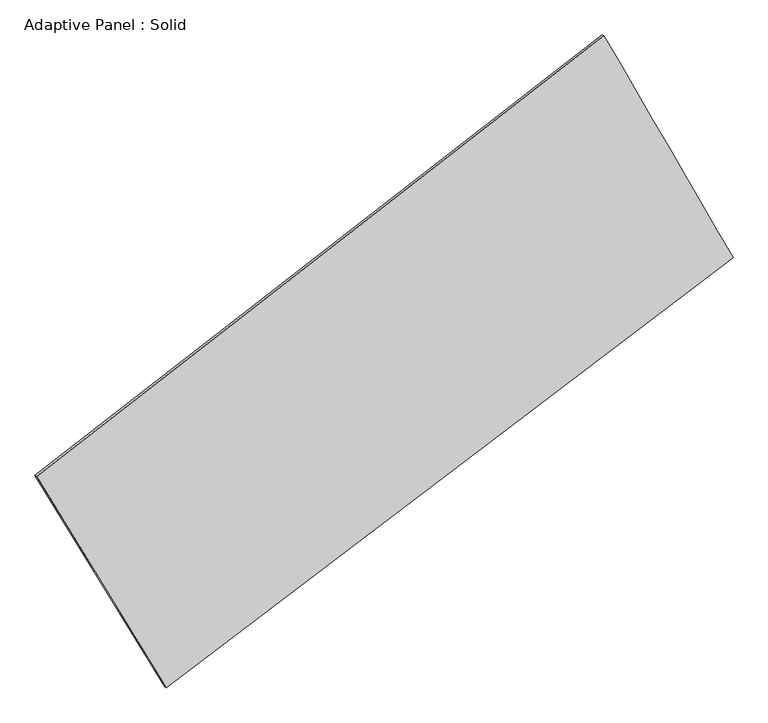
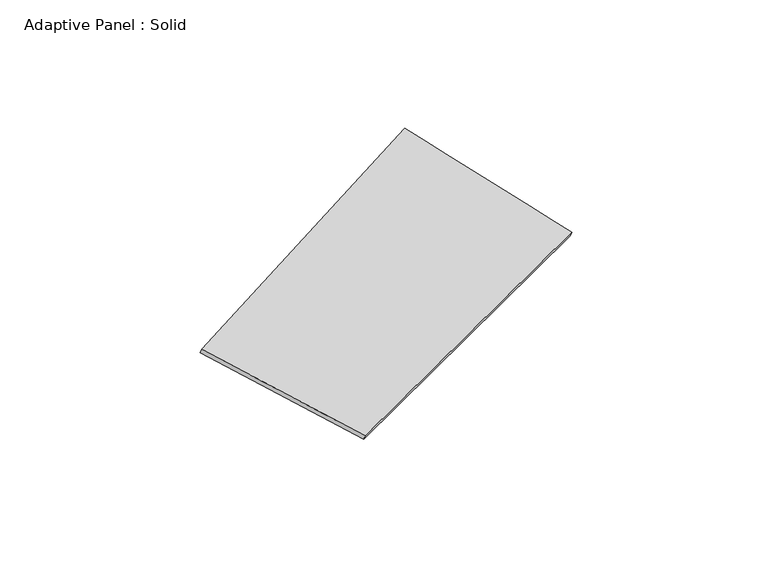
"""IFC4 building model written with IfcOpenShell, lengths in millimetres: plate geometry, Adaptive Panel : Solid."""

from ifc_helpers import new_model, si_unit, frame, origin, place, context, project, spatial, source, transform, mapped, element, save
from ifc_brep_helpers import plane_surface, spline_surface, advanced_brep


def adaptive_panel_solid_436c36e1(model_context):
    return source(origin(), model_context, "Body", "AdvancedBrep", [
        advanced_brep(
        [(1143.3646862, 2595.6194757, 719.4471544), (-3505.2473063, -1018.0322892, 1588.5137163), (-3490.5809505, -1024.4123827, 1635.8866243), (1158.031042, 2589.2393823, 766.8200624), (-2443.0293295, -2752.0212725, 1111.9579748), (-2428.3629737, -2758.4013659, 1159.3308828), (2201.6213715, 774.1855131, 65.2036748), (2216.2877273, 767.8054197, 112.5765829)],
        [
            (0, 1),
            (1, 2),
            (2, 3),
            (3, 0),
            (1, 4),
            (4, 5),
            (5, 2),
            (4, 6),
            (6, 7),
            (7, 5),
            (6, 0),
            (3, 7),
        ],
        [
            plane_surface(frame((-1180.9413101, 788.7935932, 1153.9804353), z_axis=(-0.5566733480863758, 0.782911881764466, 0.27778367288652484), x_axis=(-0.7810493726985288, -0.6071576738922492, 0.14601861676165778))),
            plane_surface(frame((-2974.1383179, -1885.0267809, 1350.2358455), z_axis=(-0.8163399930640824, -0.5492096982904741, 0.17876723141510262), x_axis=(0.5085859226904792, -0.8302273226866033, -0.22817307445382104))),
            plane_surface(frame((-120.703979, -988.9178797, 588.5808248), z_axis=(0.5413992827786824, -0.7946460195874281, -0.27463524930457356), x_axis=(0.7839409671361565, 0.5951659523520757, -0.1766749818352179))),
            plane_surface(frame((1672.4930288, 1684.9024944, 392.3254146), z_axis=(0.8207079810989866, 0.5418846809642534, -0.18110605262302903), x_axis=(-0.47976045945242124, 0.8257467275031836, 0.29660115233050793))),
            spline_surface(1, 1, [[(-3490.5809505, -1024.4123827, 1635.8866243), (1158.031042, 2589.2393823, 766.8200624)], [(-2428.3629737, -2758.4013659, 1159.3308828), (2216.2877273, 767.8054197, 112.5765829)]], [2, 2], [2, 2], [0.0, 1.0], [0.0, 1.0]),
            spline_surface(1, 1, [[(2201.6213715, 774.1855131, 65.2036748), (1143.3646862, 2595.6194757, 719.4471544)], [(-2443.0293295, -2752.0212725, 1111.9579748), (-3505.2473063, -1018.0322892, 1588.5137163)]], [2, 2], [2, 2], [0.0, 1.0], [0.0, 1.0]),
        ],
        [
            (0, [[1, 2, 3, 4]]),
            (1, [[5, 6, 7, -2]]),
            (2, [[8, 9, 10, -6]]),
            (3, [[11, -4, 12, -9]]),
            (4, [[-3, -7, -10, -12]]),
            (5, [[-11, -8, -5, -1]]),
        ],
    ),
    ])


if __name__ == "__main__":
    model = new_model("IFC4")
    model_context = context("Model", 3, world=origin())
    ifc_project = project(units=[si_unit("LENGTHUNIT", "METRE", prefix="MILLI")], contexts=[model_context])
    site = spatial("IfcSite", under=ifc_project)
    building = spatial("IfcBuilding", under=site)
    placement = place(None, origin())
    adaptive_panel_solid_shape = adaptive_panel_solid_436c36e1(model_context)
    element("IfcPlate", 1, ObjectType="Adaptive Panel : Solid", at=placement, inside=building, context=model_context, shape_type="MappedRepresentation", body=[
        mapped(adaptive_panel_solid_shape, transform((0.0, 0.0, 0.0), x_axis=(1.0, 0.0, 0.0), y_axis=(0.0, 1.0, 0.0), z_axis=(0.0, 0.0, 1.0))),
    ])
    save(model, "model.ifc")
